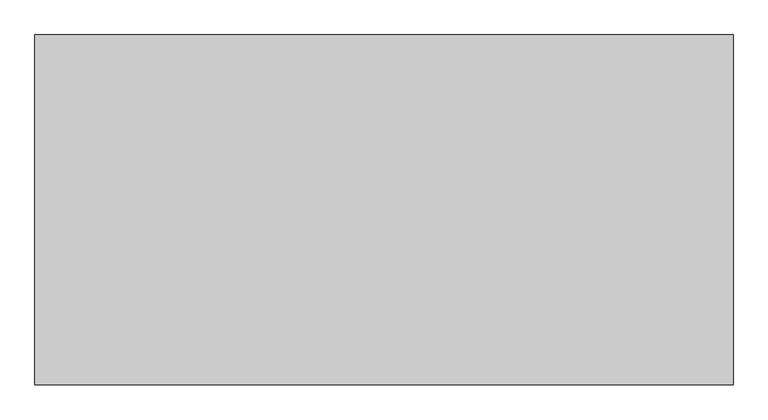
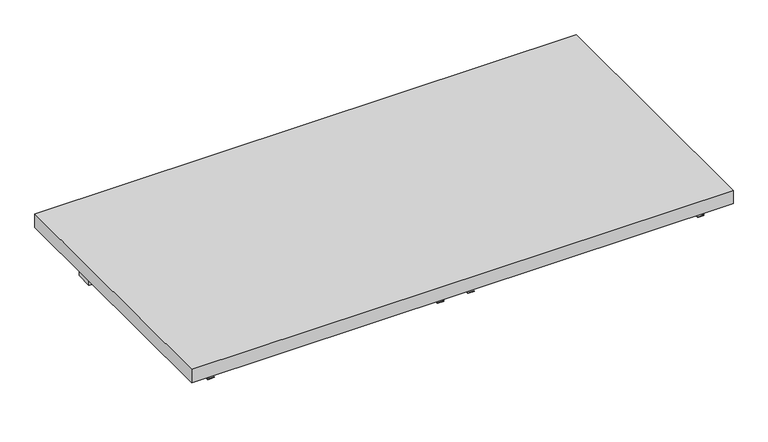
"""IFC4 building model written with IfcOpenShell, lengths in millimetres: furniture geometry."""

from ifc_helpers import new_model, si_unit, frame, origin, place, context, project, spatial, polyline, outline, extrude, source, transform, mapped, element, save


def furniture_de886b3f(model_context):
    return source(origin(), model_context, "Body", "SweptSolid", [
        extrude(outline(polyline([(912.8125, 177.8), (912.8125, -431.8), (-303.2125, -431.8), (-303.2125, 177.8), (912.8125, 177.8)])), frame((0.0, 0.0, 882.65), z_axis=(0.0, 0.0, 1.0), x_axis=(1.0, 0.0, 0.0)), (0.0, 0.0, 1.0), 31.75),
        extrude(outline(polyline([(879.475, 63.5), (879.475, 25.4), (-269.875, 25.4), (-269.875, 63.5), (879.475, 63.5)])), frame((0.0, 0.0, 825.5), z_axis=(0.0, 0.0, 1.0), x_axis=(1.0, 0.0, 0.0)), (0.0, 0.0, 1.0), 57.15),
        extrude(outline(polyline([(858.8375, 333.375), (882.65, 333.375), (882.65, 331.7875), (857.25, 331.7875), (857.25, 346.075), (858.8375, 346.075), (858.8375, 333.375)])), frame((0.0, -406.4, 0.0), z_axis=(0.0, 1.0, 0.0), x_axis=(0.0, 0.0, 1.0)), (0.0, 0.0, 1.0), 390.525),
        extrude(outline(polyline([(858.8375, 276.225), (858.8375, 263.525), (857.25, 263.525), (857.25, 277.8125), (882.65, 277.8125), (882.65, 276.225), (858.8375, 276.225)])), frame((0.0, -406.4, 0.0), z_axis=(0.0, 1.0, 0.0), x_axis=(0.0, 0.0, 1.0)), (0.0, 0.0, 1.0), 390.525),
        extrude(outline(polyline([(858.8375, -250.825), (882.65, -250.825), (882.65, -252.4125), (857.25, -252.4125), (857.25, -238.125), (858.8375, -238.125), (858.8375, -250.825)])), frame((0.0, -406.4, 0.0), z_axis=(0.0, 1.0, 0.0), x_axis=(0.0, 0.0, 1.0)), (0.0, 0.0, 1.0), 390.525),
        extrude(outline(polyline([(858.8375, 860.425), (858.8375, 847.725), (857.25, 847.725), (857.25, 862.0125), (882.65, 862.0125), (882.65, 860.425), (858.8375, 860.425)])), frame((0.0, -406.4, 0.0), z_axis=(0.0, 1.0, 0.0), x_axis=(0.0, 0.0, 1.0)), (0.0, 0.0, 1.0), 390.525),
    ])


if __name__ == "__main__":
    model = new_model("IFC4")
    model_context = context("Model", 3, world=origin())
    ifc_project = project(units=[si_unit("LENGTHUNIT", "METRE", prefix="MILLI")], contexts=[model_context])
    site = spatial("IfcSite", under=ifc_project)
    building = spatial("IfcBuilding", under=site)
    placement = place(None, origin())
    furniture_shape = furniture_de886b3f(model_context)
    element("IfcFurniture", 1, at=placement, inside=building, context=model_context, shape_type="MappedRepresentation", body=[
        mapped(furniture_shape, transform((0.0, 0.0, 0.0), x_axis=(1.0, 0.0, 0.0), y_axis=(0.0, 1.0, 0.0), z_axis=(0.0, 0.0, 1.0))),
    ])
    save(model, "model.ifc")
